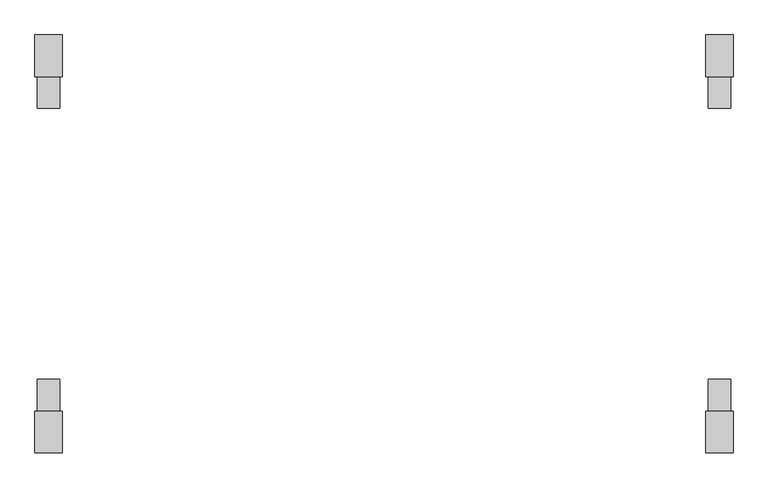
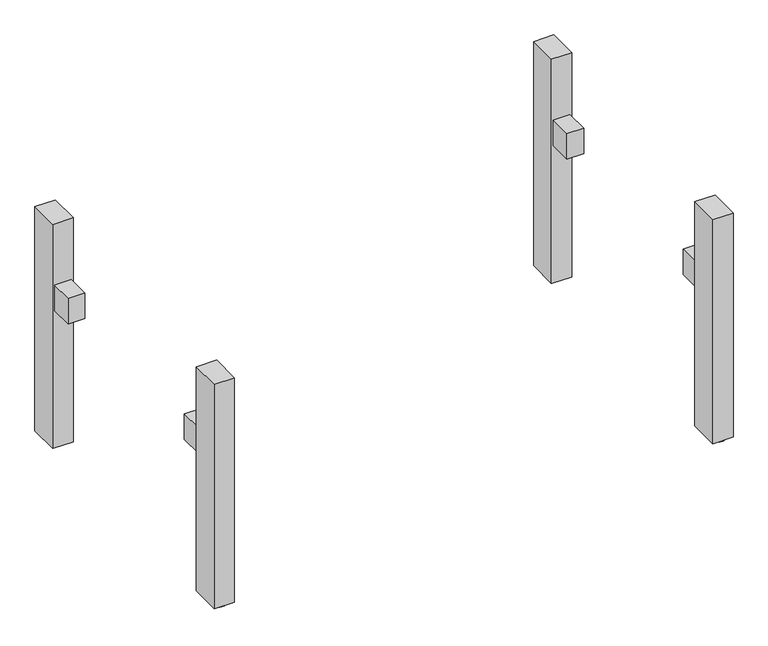
"""IFC4 building model written with IfcOpenShell, lengths in millimetres: furniture geometry."""

from ifc_helpers import new_model, si_unit, point, frame, frame_2d, origin, origin_with_axes, place, context, project, spatial, polyline, circle_curve, trimmed, segment, composite_curve, outline, extrude, source, transform, mapped, element, save


def furniture_20e46a34(model_context):
    return source(origin(), model_context, "Body", "SweptSolid", [
        extrude(outline(polyline([(-765.0, 369.0), (-715.0, 369.0), (-715.0, 299.0), (-765.0, 299.0), (-765.0, 369.0)])), frame((0.0, 0.0, 437.5), z_axis=(0.0, 0.0, 1.0), x_axis=(1.0, 0.0, 0.0)), (0.0, 0.0, 1.0), 80.0),
        extrude(outline(polyline([(715.0, 369.0), (765.0, 369.0), (765.0, 299.0), (715.0, 299.0), (715.0, 369.0)])), frame((0.0, 0.0, 437.5), z_axis=(0.0, 0.0, 1.0), x_axis=(1.0, 0.0, 0.0)), (0.0, 0.0, 1.0), 80.0),
        extrude(outline(polyline([(-715.0, -369.0), (-765.0, -369.0), (-765.0, -299.0), (-715.0, -299.0), (-715.0, -369.0)])), frame((0.0, 0.0, 437.5), z_axis=(0.0, 0.0, 1.0), x_axis=(1.0, 0.0, 0.0)), (0.0, 0.0, 1.0), 80.0),
        extrude(outline(polyline([(765.0, -369.0), (715.0, -369.0), (715.0, -299.0), (765.0, -299.0), (765.0, -369.0)])), frame((0.0, 0.0, 437.5), z_axis=(0.0, 0.0, 1.0), x_axis=(1.0, 0.0, 0.0)), (0.0, 0.0, 1.0), 80.0),
        extrude(outline(composite_curve([segment(trimmed(circle_curve(frame_2d((-739.9999984, 431.0)), 25.0), [point((-764.9999984, 431.0))], [point((-714.9999984, 431.0))], False, "CARTESIAN"), True, "CONTINUOUS"), segment(trimmed(circle_curve(frame_2d((-739.9999984, 431.0)), 25.0), [point((-714.9999984, 431.0))], [point((-764.9999984, 431.0))], False, "CARTESIAN"), True, "CONTINUOUS")], self_intersect=False)), origin_with_axes(), (0.0, 0.0, 1.0), 6.0),
        extrude(outline(composite_curve([segment(trimmed(circle_curve(frame_2d((739.9999984, 431.0)), 25.0), [point((714.9999984, 431.0))], [point((764.9999984, 431.0))], False, "CARTESIAN"), True, "CONTINUOUS"), segment(trimmed(circle_curve(frame_2d((739.9999984, 431.0)), 25.0), [point((764.9999984, 431.0))], [point((714.9999984, 431.0))], False, "CARTESIAN"), True, "CONTINUOUS")], self_intersect=False)), origin_with_axes(), (0.0, 0.0, 1.0), 6.0),
        extrude(outline(composite_curve([segment(trimmed(circle_curve(frame_2d((-739.9999984, -431.0)), 25.0), [point((-764.9999984, -431.0))], [point((-714.9999984, -431.0))], False, "CARTESIAN"), True, "CONTINUOUS"), segment(trimmed(circle_curve(frame_2d((-739.9999984, -431.0)), 25.0), [point((-714.9999984, -431.0))], [point((-764.9999984, -431.0))], False, "CARTESIAN"), True, "CONTINUOUS")], self_intersect=False)), origin_with_axes(), (0.0, 0.0, 1.0), 6.0),
        extrude(outline(composite_curve([segment(trimmed(circle_curve(frame_2d((739.9999984, -431.0)), 25.0), [point((714.9999984, -431.0))], [point((764.9999984, -431.0))], False, "CARTESIAN"), True, "CONTINUOUS"), segment(trimmed(circle_curve(frame_2d((739.9999984, -431.0)), 25.0), [point((764.9999984, -431.0))], [point((714.9999984, -431.0))], False, "CARTESIAN"), True, "CONTINUOUS")], self_intersect=False)), origin_with_axes(), (0.0, 0.0, 1.0), 6.0),
        extrude(outline(polyline([(-709.9999968, -461.0), (-770.0, -461.0), (-770.0, -369.0), (-709.9999968, -369.0), (-709.9999968, -461.0)])), frame((0.0, 0.0, 6.0), z_axis=(0.0, 0.0, 1.0), x_axis=(1.0, 0.0, 0.0)), (0.0, 0.0, 1.0), 704.0),
        extrude(outline(polyline([(709.9999968, -461.0), (709.9999968, -369.0), (770.0, -369.0), (770.0, -461.0), (709.9999968, -461.0)])), frame((0.0, 0.0, 6.0), z_axis=(0.0, 0.0, 1.0), x_axis=(1.0, 0.0, 0.0)), (0.0, 0.0, 1.0), 704.0),
        extrude(outline(polyline([(-709.9999968, 461.0), (-709.9999968, 369.0), (-770.0, 369.0), (-770.0, 461.0), (-709.9999968, 461.0)])), frame((0.0, 0.0, 6.0), z_axis=(0.0, 0.0, 1.0), x_axis=(1.0, 0.0, 0.0)), (0.0, 0.0, 1.0), 704.0),
        extrude(outline(polyline([(709.9999968, 461.0), (770.0, 461.0), (770.0, 369.0), (709.9999968, 369.0), (709.9999968, 461.0)])), frame((0.0, 0.0, 6.0), z_axis=(0.0, 0.0, 1.0), x_axis=(1.0, 0.0, 0.0)), (0.0, 0.0, 1.0), 704.0),
    ])


if __name__ == "__main__":
    model = new_model("IFC4")
    model_context = context("Model", 3, world=origin())
    ifc_project = project(units=[si_unit("LENGTHUNIT", "METRE", prefix="MILLI")], contexts=[model_context])
    site = spatial("IfcSite", under=ifc_project)
    building = spatial("IfcBuilding", under=site)
    placement = place(None, origin())
    furniture_shape = furniture_20e46a34(model_context)
    element("IfcFurniture", 1, at=placement, inside=building, context=model_context, shape_type="MappedRepresentation", body=[
        mapped(furniture_shape, transform((0.0, 0.0, 0.0), x_axis=(1.0, 0.0, 0.0), y_axis=(0.0, 1.0, 0.0), z_axis=(0.0, 0.0, 1.0))),
    ])
    save(model, "model.ifc")
